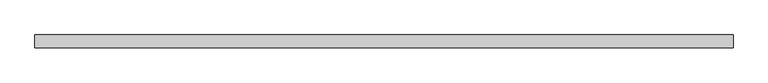
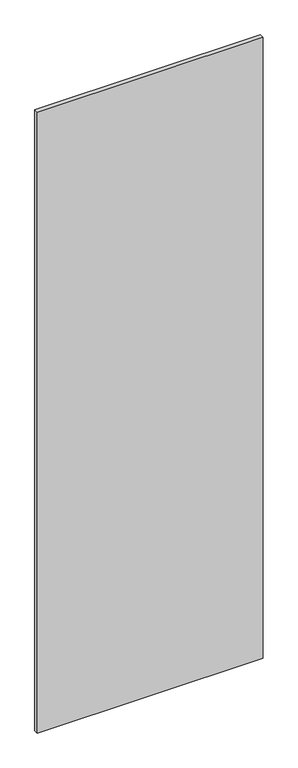
"""IFC4 building model written with IfcOpenShell, lengths in millimetres: proxy geometry."""

from ifc_helpers import new_model, si_unit, frame, origin, place, context, project, spatial, polyline, outline, extrude, source, transform, mapped, element, save


def specialty_equipment_02eee858(model_context):
    return source(origin(), model_context, "Body", "SweptSolid", [
        extrude(outline(polyline([(518.8204, -9.525), (-518.8204, -9.525), (-518.8204, 9.525), (518.8204, 9.525), (518.8204, -9.525)])), frame((0.0, 0.0, 3.175), z_axis=(0.0, 0.0, 1.0), x_axis=(1.0, 0.0, 0.0)), (0.0, 0.0, 1.0), 3013.075),
    ])


if __name__ == "__main__":
    model = new_model("IFC4")
    model_context = context("Model", 3, world=origin())
    ifc_project = project(units=[si_unit("LENGTHUNIT", "METRE", prefix="MILLI")], contexts=[model_context])
    site = spatial("IfcSite", under=ifc_project)
    building = spatial("IfcBuilding", under=site)
    placement = place(None, origin())
    specialty_equipment_shape = specialty_equipment_02eee858(model_context)
    element("IfcBuildingElementProxy", 1, Name="Specialty Equipment", at=placement, inside=building, context=model_context, shape_type="MappedRepresentation", body=[
        mapped(specialty_equipment_shape, transform((0.0, 0.0, 0.0), x_axis=(1.0, 0.0, 0.0), y_axis=(0.0, 1.0, 0.0), z_axis=(0.0, 0.0, 1.0))),
    ])
    save(model, "model.ifc")
